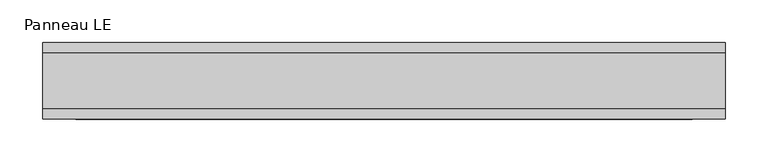
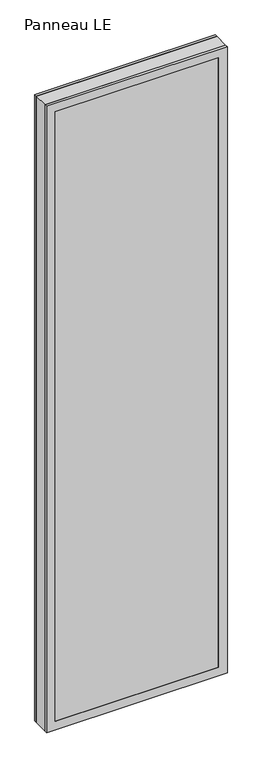
"""IFC4 building model written with IfcOpenShell, lengths in millimetres: plate geometry, Panneau LE."""

from ifc_helpers import new_model, si_unit, frame, origin, place, context, project, spatial, polyline, outline, extrude, faceted_brep, source, transform, mapped, element, save


def panneau_le_22b94733(model_context):
    return source(origin(), model_context, "Body", "SolidModel", [
        faceted_brep([(-400.3847577, 33.0, 2933.0), (-400.3847577, 45.0, 2933.0), (-400.3847577, 45.0, 0.0), (-400.3847577, 33.0, 0.0), (400.3847577, 33.0, 0.0), (400.3847577, 45.0, 0.0), (400.3847577, 45.0, 2933.0), (400.3847577, 33.0, 2933.0), (-361.3847577, 45.0, 2894.0), (-361.3847577, 45.0, 39.0), (361.3847577, 45.0, 39.0), (361.3847577, 45.0, 2894.0), (361.3847577, 43.8, 2894.0), (-361.3847577, 43.8, 2894.0), (-376.3847577, 43.8, 2909.0), (-376.3847577, 43.8, 24.0), (376.3847577, 43.8, 24.0), (376.3847577, 43.8, 2909.0), (361.3847577, 43.8, 39.0), (-361.3847577, 43.8, 39.0), (376.3847577, 33.0, 2909.0), (-376.3847577, 33.0, 2909.0), (376.3847577, 33.0, 24.0), (-376.3847577, 33.0, 24.0)], [[[0, 1, 2, 3]], [[4, 5, 6, 7]], [[6, 1, 0, 7]], [[2, 1, 6, 5], [8, 9, 10, 11]], [[8, 11, 12, 13]], [[14, 15, 16, 17], [13, 12, 18, 19]], [[14, 17, 20, 21]], [[0, 3, 4, 7], [20, 22, 23, 21]], [[23, 22, 16, 15]], [[19, 18, 10, 9]], [[4, 3, 2, 5]], [[21, 23, 15, 14]], [[13, 19, 9, 8]], [[18, 12, 11, 10]], [[22, 20, 17, 16]]]),
        faceted_brep([(-400.3847577, -33.0, 0.0), (-400.3847577, -45.0, 0.0), (-400.3847577, -45.0, 2933.0), (-400.3847577, -33.0, 2933.0), (400.3847577, -45.0, 0.0), (400.3847577, -33.0, 0.0), (400.3847577, -33.0, 2933.0), (400.3847577, -45.0, 2933.0), (361.3847577, -45.0, 2894.0), (361.3847577, -45.0, 39.0), (-361.3847577, -45.0, 39.0), (-361.3847577, -45.0, 2894.0), (-376.3847577, -33.0, 2909.0), (-376.3847577, -33.0, 24.0), (376.3847577, -33.0, 24.0), (376.3847577, -33.0, 2909.0), (376.3847577, -43.8, 2909.0), (-376.3847577, -43.8, 2909.0), (376.3847577, -43.8, 24.0), (-376.3847577, -43.8, 24.0), (-361.3847577, -43.8, 2894.0), (-361.3847577, -43.8, 39.0), (361.3847577, -43.8, 39.0), (361.3847577, -43.8, 2894.0)], [[[0, 1, 2, 3]], [[4, 5, 6, 7]], [[2, 1, 4, 7], [8, 9, 10, 11]], [[6, 3, 2, 7]], [[0, 3, 6, 5], [12, 13, 14, 15]], [[12, 15, 16, 17]], [[17, 16, 18, 19], [20, 21, 22, 23]], [[8, 11, 20, 23]], [[10, 9, 22, 21]], [[19, 18, 14, 13]], [[4, 1, 0, 5]], [[11, 10, 21, 20]], [[17, 19, 13, 12]], [[18, 16, 15, 14]], [[9, 8, 23, 22]]]),
        extrude(outline(polyline([(2933.0, 400.3847577), (2933.0, -400.3847577), (0.0, -400.3847577), (0.0, 400.3847577), (2933.0, 400.3847577)]), holes=[polyline([(46.0, -360.3847577), (2887.0, -360.3847577), (2887.0, 360.3847577), (46.0, 360.3847577), (46.0, -360.3847577)])]), frame((0.0, -33.0, 0.0), z_axis=(0.0, 1.0, 0.0), x_axis=(0.0, 0.0, 1.0)), (0.0, 0.0, 1.0), 66.0),
        extrude(outline(polyline([(376.3847577, 37.8), (-376.3847577, 37.8), (-376.3847577, 43.8), (376.3847577, 43.8), (376.3847577, 37.8)])), frame((0.0, 0.0, 24.0), z_axis=(0.0, 0.0, 1.0), x_axis=(1.0, 0.0, 0.0)), (0.0, 0.0, 1.0), 2885.0),
        extrude(outline(polyline([(-376.3847577, -43.8), (-376.3847577, -37.8), (376.3847577, -37.8), (376.3847577, -43.8), (-376.3847577, -43.8)])), frame((0.0, 0.0, 24.0), z_axis=(0.0, 0.0, 1.0), x_axis=(1.0, 0.0, 0.0)), (0.0, 0.0, 1.0), 2885.0),
    ])


if __name__ == "__main__":
    model = new_model("IFC4")
    model_context = context("Model", 3, world=origin())
    ifc_project = project(units=[si_unit("LENGTHUNIT", "METRE", prefix="MILLI")], contexts=[model_context])
    site = spatial("IfcSite", under=ifc_project)
    building = spatial("IfcBuilding", under=site)
    placement = place(None, origin())
    panneau_le_shape = panneau_le_22b94733(model_context)
    element("IfcPlate", 1, ObjectType="Panneau LE", at=placement, inside=building, context=model_context, shape_type="MappedRepresentation", body=[
        mapped(panneau_le_shape, transform((0.0, 0.0, 0.0), x_axis=(1.0, 0.0, 0.0), y_axis=(0.0, 1.0, 0.0), z_axis=(0.0, 0.0, 1.0))),
    ])
    save(model, "model.ifc")
